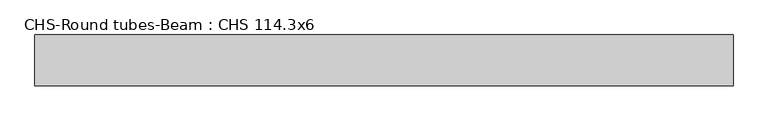
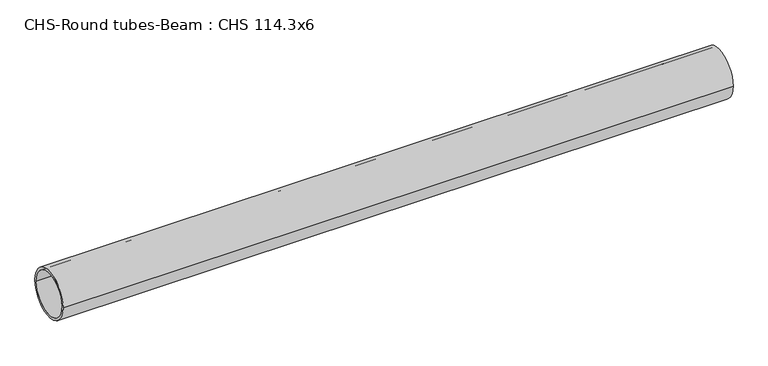
"""IFC4 building model written with IfcOpenShell, lengths in millimetres: beam geometry, CHS-Round tubes-Beam : CHS 114.3x6."""

from ifc_helpers import new_model, si_unit, point, frame, origin, origin_2d, place, context, project, spatial, circle_curve, trimmed, segment, composite_curve, outline, extrude, source, transform, mapped, element, save


def chs_round_tubes_beam_chs_114_3x6_2488a264(model_context):
    return source(origin(), model_context, "Body", "SweptSolid", [
        extrude(outline(composite_curve([segment(trimmed(circle_curve(origin_2d(), 57.15), [point((57.15, 0.0))], [point((-57.15, 0.0))], False, "CARTESIAN"), True, "CONTINUOUS"), segment(trimmed(circle_curve(origin_2d(), 57.15), [point((-57.15, 0.0))], [point((57.15, 0.0))], False, "CARTESIAN"), True, "CONTINUOUS")], self_intersect=False), holes=[composite_curve([segment(trimmed(circle_curve(origin_2d(), 51.15), [point((51.15, 0.0))], [point((-51.15, 0.0))], True, "CARTESIAN"), True, "CONTINUOUS"), segment(trimmed(circle_curve(origin_2d(), 51.15), [point((-51.15, 0.0))], [point((51.15, 0.0))], True, "CARTESIAN"), True, "CONTINUOUS")], self_intersect=False)]), frame((-777.2475191, 0.0, 0.0), z_axis=(1.0, 0.0, 0.0), x_axis=(0.0, 1.0, 0.0)), (0.0, 0.0, 1.0), 1566.7523701),
    ])


if __name__ == "__main__":
    model = new_model("IFC4")
    model_context = context("Model", 3, world=origin())
    ifc_project = project(units=[si_unit("LENGTHUNIT", "METRE", prefix="MILLI")], contexts=[model_context])
    site = spatial("IfcSite", under=ifc_project)
    building = spatial("IfcBuilding", under=site)
    placement = place(None, origin())
    chs_round_tubes_beam_chs_114_3x6_shape = chs_round_tubes_beam_chs_114_3x6_2488a264(model_context)
    element("IfcBeam", 1, ObjectType="CHS-Round tubes-Beam : CHS 114.3x6", at=placement, inside=building, context=model_context, shape_type="MappedRepresentation", body=[
        mapped(chs_round_tubes_beam_chs_114_3x6_shape, transform((0.0, 0.0, 0.0), x_axis=(1.0, 0.0, 0.0), y_axis=(0.0, 1.0, 0.0), z_axis=(0.0, 0.0, 1.0))),
    ])
    save(model, "model.ifc")
